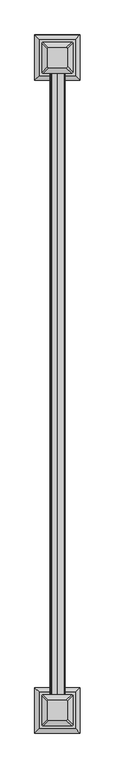
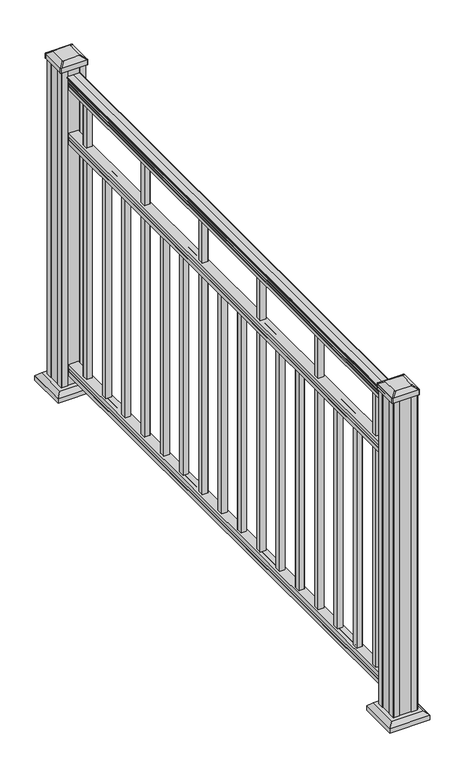
"""IFC4 building model written with IfcOpenShell, lengths in millimetres: railing geometry."""

import ifcopenshell
import ifcopenshell.guid

model = None  # the IFC model being written
_history = None  # IfcOwnerHistory: only IFC2X3 demands one
_inside = {}  # id of a spatial element -> (the spatial element, [elements in it])
_under = {}  # id of a project, library or spatial element -> (it, [spatial elements below it])
_declared = {}  # id of a project -> (the project, [libraries it declares])
_typed = {}  # id of a type object -> (the type object, [elements of that type])
_made_of = {}  # id of a material, layer set ... -> (it, [elements and type objects made of it])


def new_model(schema):
    """Start an empty IFC model of exactly this schema.

    Asked for "IFC4X3", IfcOpenShell would pick the latest addendum, in which some entities
    have other attributes; the version numbers below select the first issue.
    IFC2X3 requires an IfcOwnerHistory on every rooted entity: one is made here for all.
    """
    global model, _history
    if schema == "IFC4X3":
        model = ifcopenshell.file(schema_version=(4, 3, 0, 0))
    else:
        model = ifcopenshell.file(schema=schema)
    _inside.clear()
    _under.clear()
    _declared.clear()
    _typed.clear()
    _made_of.clear()
    _history = None
    if model.schema == "IFC2X3":
        org = make("IfcOrganization", Name="unknown")
        user = make(
            "IfcPersonAndOrganization",
            ThePerson=make("IfcPerson", FamilyName="unknown"),
            TheOrganization=org,
        )
        app = make(
            "IfcApplication",
            ApplicationDeveloper=org,
            Version="unknown",
            ApplicationFullName="unknown",
            ApplicationIdentifier="unknown",
        )
        _history = make(
            "IfcOwnerHistory",
            OwningUser=user,
            OwningApplication=app,
            ChangeAction="ADDED",
            CreationDate=0,
        )
    return model


def make(cls, **values):
    """One entity of the class cls with the attributes given. An attribute that is None is left unset."""
    return model.create_entity(
        cls, **{name: value for name, value in values.items() if value is not None}
    )


def rooted(cls, **values):
    """An entity with a GlobalId (a new one), such as an element, a storey or a relation."""
    return make(cls, GlobalId=ifcopenshell.guid.new(), OwnerHistory=_history, **values)


def si_unit(unit_type, name, prefix=None):
    """IfcSIUnit, for example si_unit("LENGTHUNIT", "METRE", prefix="MILLI")."""
    return make("IfcSIUnit", UnitType=unit_type, Prefix=prefix, Name=name)


def assignment(units):
    """IfcUnitAssignment: the units of a project."""
    return None if units is None else make("IfcUnitAssignment", Units=units)


def point(xyz):
    """IfcCartesianPoint."""
    return None if xyz is None else make("IfcCartesianPoint", Coordinates=xyz)


def direction(xyz):
    """IfcDirection."""
    return None if xyz is None else make("IfcDirection", DirectionRatios=xyz)


def frame(location, z_axis=None, x_axis=None):
    """IfcAxis2Placement3D, a coordinate frame: its origin and axes. An axis left out is left unset."""
    return make(
        "IfcAxis2Placement3D",
        Location=point(location),
        Axis=direction(z_axis),
        RefDirection=direction(x_axis),
    )


def frame_2d(location, x_axis=None):
    """IfcAxis2Placement2D, a coordinate frame in the plane: its origin and x axis."""
    return make(
        "IfcAxis2Placement2D", Location=point(location), RefDirection=direction(x_axis)
    )


def origin():
    """The frame at (0, 0, 0) with its axes left unset."""
    return frame((0.0, 0.0, 0.0))


def origin_with_axes():
    """The frame at (0, 0, 0) with the z axis (0, 0, 1) and the x axis (1, 0, 0) written out."""
    return frame((0.0, 0.0, 0.0), z_axis=(0.0, 0.0, 1.0), x_axis=(1.0, 0.0, 0.0))


def place(relative_to, where):
    """IfcLocalPlacement: puts the frame where relative to a parent placement (None: the world)."""
    return make(
        "IfcLocalPlacement", PlacementRelTo=relative_to, RelativePlacement=where
    )


def context(
    kind, dimensions, precision=None, world=None, true_north=None, identifier=None
):
    """IfcGeometricRepresentationContext, for example the 3D "Model" context."""
    return make(
        "IfcGeometricRepresentationContext",
        ContextIdentifier=identifier,
        ContextType=kind,
        CoordinateSpaceDimension=dimensions,
        Precision=precision,
        WorldCoordinateSystem=world,
        TrueNorth=true_north,
    )


def project(units=None, contexts=None):
    """IfcProject with its units and contexts."""
    return rooted(
        "IfcProject",
        Name="project",
        RepresentationContexts=contexts,
        UnitsInContext=assignment(units),
    )


def spatial(cls, under=None, at=None, **own):
    """A site, building, storey or space (cls), placed at a placement, below another one or the project."""
    s = rooted(cls, ObjectPlacement=at, **own)
    if under is not None:
        _under.setdefault(under.id(), (under, []))[1].append(s)
    return s


def polyline(points):
    """IfcPolyline through the points."""
    return make("IfcPolyline", Points=[point(p) for p in points])


def circle_curve(where, radius):
    """IfcCircle in the frame where."""
    return make("IfcCircle", Position=where, Radius=radius)


def trimmed(basis, trim1, trim2, sense, master):
    """IfcTrimmedCurve: the piece of a basis curve between two trims."""
    return make(
        "IfcTrimmedCurve",
        BasisCurve=basis,
        Trim1=trim1,
        Trim2=trim2,
        SenseAgreement=sense,
        MasterRepresentation=master,
    )


def segment(curve, same_sense, transition):
    """IfcCompositeCurveSegment."""
    return make(
        "IfcCompositeCurveSegment",
        Transition=transition,
        SameSense=same_sense,
        ParentCurve=curve,
    )


def composite_curve(segments, self_intersect=None):
    """IfcCompositeCurve: segments joined end to end."""
    return make("IfcCompositeCurve", Segments=segments, SelfIntersect=self_intersect)


def outline(outer, holes=None, kind="AREA"):
    """IfcArbitraryClosedProfileDef: a profile drawn as a closed curve; with holes, ...WithVoids."""
    if holes is None:
        return make("IfcArbitraryClosedProfileDef", ProfileType=kind, OuterCurve=outer)
    return make(
        "IfcArbitraryProfileDefWithVoids",
        ProfileType=kind,
        OuterCurve=outer,
        InnerCurves=holes,
    )


def extrude(swept, where, along, depth):
    """IfcExtrudedAreaSolid: the profile swept, set in the frame where, extruded along a direction by depth."""
    return make(
        "IfcExtrudedAreaSolid",
        SweptArea=swept,
        Position=where,
        ExtrudedDirection=direction(along),
        Depth=depth,
    )


def faces_of(points, faces, orient=None, outer=None):
    """IfcFace entities. A face is a list of loops; a loop is a list of indices into points, from 0.

    orient and outer hold one flag for each loop. By default every Orientation is true, the
    first loop of a face is its IfcFaceOuterBound and the others are IfcFaceBound.
    """
    made = []
    for i, loops in enumerate(faces):
        bounds = []
        for j, loop in enumerate(loops):
            is_outer = j == 0 if outer is None else outer[i][j]
            bounds.append(
                make(
                    "IfcFaceOuterBound" if is_outer else "IfcFaceBound",
                    Bound=make("IfcPolyLoop", Polygon=[points[k] for k in loop]),
                    Orientation=True if orient is None else orient[i][j],
                )
            )
        made.append(make("IfcFace", Bounds=bounds))
    return made


def faceted_brep(points, faces, orient=None, outer=None, voids=None):
    """IfcFacetedBrep: a solid bounded by flat faces; with voids (closed shells), ...WithVoids."""
    shared = [point(p) for p in points]
    hull = make("IfcClosedShell", CfsFaces=faces_of(shared, faces, orient, outer))
    if voids is None:
        return make("IfcFacetedBrep", Outer=hull)
    return make(
        "IfcFacetedBrepWithVoids",
        Outer=hull,
        Voids=[
            make(cls, CfsFaces=faces_of(shared, fs, o, b)) for cls, fs, o, b in voids
        ],
    )


def shape(context_of_items, identifier, shape_type, items):
    """IfcShapeRepresentation: the items that make up one representation, for example the "Body"."""
    return make(
        "IfcShapeRepresentation",
        ContextOfItems=context_of_items,
        RepresentationIdentifier=identifier,
        RepresentationType=shape_type,
        Items=items,
    )


def source(mapping_origin, context_of_items, identifier, shape_type, items):
    """IfcRepresentationMap: a shape defined once, which mapped items show again and again."""
    return make(
        "IfcRepresentationMap",
        MappingOrigin=mapping_origin,
        MappedRepresentation=shape(context_of_items, identifier, shape_type, items),
    )


def transform(
    local_origin,
    x_axis=None,
    y_axis=None,
    z_axis=None,
    scale=None,
    scale2=None,
    scale3=None,
    uniform=True,
):
    """IfcCartesianTransformationOperator3D, or its non-uniform kind. x_axis, y_axis, z_axis: its Axis1, 2, 3."""
    if uniform:
        return make(
            "IfcCartesianTransformationOperator3D",
            Axis1=direction(x_axis),
            Axis2=direction(y_axis),
            LocalOrigin=point(local_origin),
            Scale=scale,
            Axis3=direction(z_axis),
        )
    return make(
        "IfcCartesianTransformationOperator3DnonUniform",
        Axis1=direction(x_axis),
        Axis2=direction(y_axis),
        LocalOrigin=point(local_origin),
        Scale=scale,
        Axis3=direction(z_axis),
        Scale2=scale2,
        Scale3=scale3,
    )


def mapped(mapping_source, mapping_target):
    """IfcMappedItem: shows the shape of a source again, moved by a transform."""
    return make(
        "IfcMappedItem", MappingSource=mapping_source, MappingTarget=mapping_target
    )


def made_of(thing, what):
    """Note that an element or type object is made of a material, layer set ...; save() writes the relation."""
    if what is not None:
        _made_of.setdefault(what.id(), (what, []))[1].append(thing)
    return thing


def element(
    cls,
    number,
    at=None,
    inside=None,
    cuts=None,
    type_object=None,
    material=None,
    context=None,
    identifier="Body",
    shape_type=None,
    held_by="IfcProductDefinitionShape",
    body=None,
    shapes=None,
    **own,
):
    """One element of the class cls, such as IfcWall. Its Tag is "e" and its number.

    at: its placement. inside: the storey or other place that contains it. cuts: it is an
    opening in that element (IfcRelVoidsElement). A single representation is given by context,
    identifier, shape_type and body (its items); several are given by shapes. held_by: the class
    of the entity that holds the representations. save() writes the other relations.
    """
    e = rooted(cls, Tag="e%d" % number, ObjectPlacement=at, **own)
    if body is not None:
        shapes = [shape(context, identifier, shape_type, body)]
    if shapes is not None:
        e.Representation = make(held_by, Representations=shapes)
    if inside is not None:
        _inside.setdefault(inside.id(), (inside, []))[1].append(e)
    if cuts is not None:
        rooted(
            "IfcRelVoidsElement", RelatingBuildingElement=cuts, RelatedOpeningElement=e
        )
    if type_object is not None:
        _typed.setdefault(type_object.id(), (type_object, []))[1].append(e)
    return made_of(e, material)


def aggregate(whole, parts):
    """IfcRelAggregates: a whole, such as a stair, and the parts it consists of."""
    return rooted("IfcRelAggregates", RelatingObject=whole, RelatedObjects=parts)


def save(model, path):
    """Write the relations noted so far, then the file.

    IfcRelAggregates (storeys below a building ...), IfcRelContainedInSpatialStructure (elements
    in a storey), IfcRelDefinesByType, IfcRelAssociatesMaterial and IfcRelDeclares: one each for
    every whole, place, type object, material and project.
    """
    for whole, parts in _under.values():
        aggregate(whole, parts)
    for where, things in _inside.values():
        rooted(
            "IfcRelContainedInSpatialStructure",
            RelatedElements=things,
            RelatingStructure=where,
        )
    for kind, things in _typed.values():
        rooted("IfcRelDefinesByType", RelatedObjects=things, RelatingType=kind)
    for what, things in _made_of.values():
        rooted("IfcRelAssociatesMaterial", RelatedObjects=things, RelatingMaterial=what)
    for by, libraries in _declared.values():
        rooted("IfcRelDeclares", RelatingContext=by, RelatedDefinitions=libraries)
    model.write(path)


def plane_surface(at):
    """IfcPlane: the flat surface through the origin of the frame at, square to its z axis."""
    return make("IfcPlane", Position=at)


def extruded_surface(curve, direction_of_extrusion, depth):
    """IfcSurfaceOfLinearExtrusion: the curve pushed along a direction by depth."""
    return make(
        "IfcSurfaceOfLinearExtrusion",
        SweptCurve=make("IfcArbitraryOpenProfileDef", ProfileType="CURVE", Curve=curve),
        ExtrudedDirection=direction(direction_of_extrusion),
        Depth=depth,
    )


def advanced_brep(points, edges, surfaces, faces):
    """IfcAdvancedBrep: a solid bounded by faces that lie on surfaces and meet in shared edges.

    An edge is (start, end): straight between two places in points (the first is 0);
    or (start, end, curve); or (start, end, curve, False) where it runs against its curve.
    A face is (place in surfaces, loops), or (place, loops, False) where it looks against
    its surface's normal. A loop lists edges by number (the first is 1), with a minus sign
    where the edge is run from its end to its start. The first loop is the outer one.
    """
    corners = [point(p) for p in points]
    vertices = [make("IfcVertexPoint", VertexGeometry=c) for c in corners]
    made = []
    for start, end, *more in edges:
        made.append(
            make(
                "IfcEdgeCurve",
                EdgeStart=vertices[start],
                EdgeEnd=vertices[end],
                EdgeGeometry=more[0] if more else make("IfcPolyline", Points=[corners[start], corners[end]]),
                SameSense=more[1] if len(more) > 1 else True,
            )
        )
    hull = []
    for where, loops, *sense in faces:
        bounds = []
        for j, loop in enumerate(loops):
            ring = [make("IfcOrientedEdge", EdgeElement=made[abs(k) - 1], Orientation=k > 0) for k in loop]
            bounds.append(
                make(
                    "IfcFaceOuterBound" if j == 0 else "IfcFaceBound",
                    Bound=make("IfcEdgeLoop", EdgeList=ring),
                    Orientation=True,
                )
            )
        hull.append(make("IfcAdvancedFace", Bounds=bounds, FaceSurface=surfaces[where], SameSense=sense[0] if sense else True))
    return make("IfcAdvancedBrep", Outer=make("IfcClosedShell", CfsFaces=hull))


def railing_6b41dfd5(model_context):
    return source(origin(), model_context, "Body", "SolidModel", [
        extrude(outline(composite_curve([segment(trimmed(circle_curve(frame_2d((1090.8043297, 1987.4195636)), 1.2869144), [point((1090.8043297, 1986.1326492))], [point((1090.8043297, 1988.7064779))], False, "CARTESIAN"), True, "CONTINUOUS"), segment(polyline([(1090.8043297, 1988.7064779), (1080.147013, 1988.7064779), (1079.131013, 1987.6904779), (1066.8, 1987.6904779), (1066.8, 2019.4404779), (1079.2888283, 2019.4404779), (1080.3048283, 2018.4244779), (1090.8043297, 2018.4244779)]), True, "CONTINUOUS"), segment(trimmed(circle_curve(frame_2d((1090.8043297, 2019.7113923)), 1.2869144), [point((1090.8043297, 2018.4244779))], [point((1090.8043297, 2020.9983067))], False, "CARTESIAN"), True, "CONTINUOUS"), segment(polyline([(1090.8043297, 2020.9983067), (1092.692412, 2020.9983067)]), True, "CONTINUOUS"), segment(trimmed(circle_curve(frame_2d((1098.4506383, 2014.6835534)), 8.545951), [point((1092.692412, 2020.9983067))], [point((1094.2546695, 2022.128493))], False, "CARTESIAN"), True, "CONTINUOUS"), segment(trimmed(circle_curve(frame_2d((1097.8636577, 2015.1206164)), 7.882584), [point((1094.2546695, 2022.128493))], [point((1101.4726458, 2022.128493))], False, "CARTESIAN"), True, "CONTINUOUS"), segment(trimmed(circle_curve(frame_2d((1103.7112527, 2025.6339405)), 4.1592695), [point((1101.4726458, 2022.128493))], [point((1103.9060812, 2021.4792366))], True, "CARTESIAN"), True, "CONTINUOUS"), segment(trimmed(circle_curve(frame_2d((1103.6508864, 2026.921247)), 5.4479907), [point((1103.9060812, 2021.4792366))], [point((1108.2362083, 2023.9792366))], True, "CARTESIAN"), True, "CONTINUOUS"), segment(trimmed(circle_curve(frame_2d((1108.233395, 2025.6880886)), 1.7088543), [point((1108.2362083, 2023.9792366))], [point((1109.9157972, 2025.388579))], True, "CARTESIAN"), True, "CONTINUOUS"), segment(trimmed(circle_curve(frame_2d((1111.0205318, 2024.0711885)), 1.7192895), [point((1109.9157972, 2025.388579))], [point((1111.0205318, 2025.790478))], False, "CARTESIAN"), True, "CONTINUOUS"), segment(polyline([(1111.0205318, 2025.790478), (1112.3608158, 2025.7904779)]), True, "CONTINUOUS"), segment(trimmed(circle_curve(frame_2d((1112.3608158, 2024.2370307)), 1.5534472), [point((1112.3608158, 2025.7904779))], [point((1113.914263, 2024.2370307))], False, "CARTESIAN"), True, "CONTINUOUS"), segment(polyline([(1113.914263, 2024.2370307), (1113.914263, 2003.5654779), (1113.914263, 1982.8939252)]), True, "CONTINUOUS"), segment(trimmed(circle_curve(frame_2d((1112.3608158, 1982.8939252)), 1.5534472), [point((1113.914263, 1982.8939252))], [point((1112.3608158, 1981.3404779))], False, "CARTESIAN"), True, "CONTINUOUS"), segment(polyline([(1112.3608158, 1981.3404779), (1111.0205318, 1981.3404779)]), True, "CONTINUOUS"), segment(trimmed(circle_curve(frame_2d((1111.0205318, 1983.0597674)), 1.7192895), [point((1111.0205318, 1981.3404779))], [point((1109.9157972, 1981.7423769))], False, "CARTESIAN"), True, "CONTINUOUS"), segment(trimmed(circle_curve(frame_2d((1108.233395, 1981.4428673)), 1.7088543), [point((1109.9157972, 1981.7423769))], [point((1108.2362083, 1983.1517193))], True, "CARTESIAN"), True, "CONTINUOUS"), segment(trimmed(circle_curve(frame_2d((1103.6508864, 1980.2097088)), 5.4479907), [point((1108.2362083, 1983.1517193))], [point((1103.9060812, 1985.6517193))], True, "CARTESIAN"), True, "CONTINUOUS"), segment(trimmed(circle_curve(frame_2d((1103.7112527, 1981.4970154)), 4.1592695), [point((1103.9060812, 1985.6517193))], [point((1101.4726458, 1985.0024629))], True, "CARTESIAN"), True, "CONTINUOUS"), segment(trimmed(circle_curve(frame_2d((1097.8636577, 1992.0103395)), 7.882584), [point((1101.4726458, 1985.0024629))], [point((1094.2546695, 1985.0024629))], False, "CARTESIAN"), True, "CONTINUOUS"), segment(trimmed(circle_curve(frame_2d((1098.4506383, 1992.4474025)), 8.545951), [point((1094.2546695, 1985.0024629))], [point((1092.692412, 1986.1326492))], False, "CARTESIAN"), True, "CONTINUOUS"), segment(polyline([(1092.692412, 1986.1326492), (1090.8043297, 1986.1326492)]), True, "CONTINUOUS")], self_intersect=False)), frame((0.0, -110050.5733589, 0.0), z_axis=(0.0, 1.0, 0.0), x_axis=(0.0, 0.0, 1.0)), (0.0, 0.0, 1.0), 1828.8),
        extrude(outline(polyline([(888.8541976, 1987.652991), (876.3, 1987.652991), (876.3, 2019.402991), (888.8375508, 2019.402991), (890.1858283, 2018.386991), (900.4975248, 2018.386991), (901.8458024, 2019.402991), (914.3958781, 2019.402991), (914.3958781, 1987.652991), (901.8624492, 1987.652991), (900.5141717, 1988.668991), (890.1546183, 1988.668991), (888.8541976, 1987.652991)])), frame((0.0, -110050.5733589, 0.0), z_axis=(0.0, 1.0, 0.0), x_axis=(0.0, 0.0, 1.0)), (0.0, 0.0, 1.0), 1828.8),
        extrude(outline(polyline([(76.0541976, 1987.652991), (63.5, 1987.652991), (63.5, 2019.402991), (76.0375508, 2019.402991), (77.3858283, 2018.386991), (87.6975248, 2018.386991), (89.0458024, 2019.402991), (101.5958781, 2019.402991), (101.5958781, 1987.652991), (89.0624492, 1987.652991), (87.7141717, 1988.668991), (77.3546183, 1988.668991), (76.0541976, 1987.652991)])), frame((0.0, -110050.5733589, 0.0), z_axis=(0.0, 1.0, 0.0), x_axis=(0.0, 0.0, 1.0)), (0.0, 0.0, 1.0), 1828.8),
        extrude(outline(polyline([(1994.0404779, -108312.2608589), (1994.0404779, -108293.2108589), (2013.0904779, -108293.2108589), (2013.0904779, -108312.2608589), (1994.0404779, -108312.2608589)]), holes=[polyline([(1994.4373529, -108311.8639839), (2012.6936029, -108311.8639839), (2012.6936029, -108293.6077339), (1994.4373529, -108293.6077339), (1994.4373529, -108311.8639839)])]), frame((0.0, 0.0, 101.5958781), z_axis=(0.0, 0.0, 1.0), x_axis=(1.0, 0.0, 0.0)), (0.0, 0.0, 1.0), 965.2041219),
        extrude(outline(polyline([(1994.0404779, -108423.3858589), (1994.0404779, -108404.3358589), (2013.0904779, -108404.3358589), (2013.0904779, -108423.3858589), (1994.0404779, -108423.3858589)]), holes=[polyline([(1994.4373529, -108422.9889839), (2012.6936029, -108422.9889839), (2012.6936029, -108404.7327339), (1994.4373529, -108404.7327339), (1994.4373529, -108422.9889839)])]), frame((0.0, 0.0, 101.5958781), z_axis=(0.0, 0.0, 1.0), x_axis=(1.0, 0.0, 0.0)), (0.0, 0.0, 1.0), 774.7041219),
        extrude(outline(polyline([(1994.0404779, -108534.5108589), (1994.0404779, -108515.4608589), (2013.0904779, -108515.4608589), (2013.0904779, -108534.5108589), (1994.0404779, -108534.5108589)]), holes=[polyline([(1994.4373529, -108534.1139839), (2012.6936029, -108534.1139839), (2012.6936029, -108515.8577339), (1994.4373529, -108515.8577339), (1994.4373529, -108534.1139839)])]), frame((0.0, 0.0, 101.5958781), z_axis=(0.0, 0.0, 1.0), x_axis=(1.0, 0.0, 0.0)), (0.0, 0.0, 1.0), 774.7041219),
        extrude(outline(polyline([(1994.0404779, -108645.6358589), (1994.0404779, -108626.5858589), (2013.0904779, -108626.5858589), (2013.0904779, -108645.6358589), (1994.0404779, -108645.6358589)]), holes=[polyline([(1994.4373529, -108645.2389839), (2012.6936029, -108645.2389839), (2012.6936029, -108626.9827339), (1994.4373529, -108626.9827339), (1994.4373529, -108645.2389839)])]), frame((0.0, 0.0, 101.5958781), z_axis=(0.0, 0.0, 1.0), x_axis=(1.0, 0.0, 0.0)), (0.0, 0.0, 1.0), 965.2041219),
        extrude(outline(polyline([(1994.0404779, -108756.7608589), (1994.0404779, -108737.7108589), (2013.0904779, -108737.7108589), (2013.0904779, -108756.7608589), (1994.0404779, -108756.7608589)]), holes=[polyline([(1994.4373529, -108756.3639839), (2012.6936029, -108756.3639839), (2012.6936029, -108738.1077339), (1994.4373529, -108738.1077339), (1994.4373529, -108756.3639839)])]), frame((0.0, 0.0, 101.5958781), z_axis=(0.0, 0.0, 1.0), x_axis=(1.0, 0.0, 0.0)), (0.0, 0.0, 1.0), 774.7041219),
        extrude(outline(polyline([(1994.0404779, -108867.8858589), (1994.0404779, -108848.8358589), (2013.0904779, -108848.8358589), (2013.0904779, -108867.8858589), (1994.0404779, -108867.8858589)]), holes=[polyline([(1994.4373529, -108867.4889839), (2012.6936029, -108867.4889839), (2012.6936029, -108849.2327339), (1994.4373529, -108849.2327339), (1994.4373529, -108867.4889839)])]), frame((0.0, 0.0, 101.5958781), z_axis=(0.0, 0.0, 1.0), x_axis=(1.0, 0.0, 0.0)), (0.0, 0.0, 1.0), 774.7041219),
        extrude(outline(polyline([(1994.0404779, -108979.0108589), (1994.0404779, -108959.9608589), (2013.0904779, -108959.9608589), (2013.0904779, -108979.0108589), (1994.0404779, -108979.0108589)]), holes=[polyline([(1994.4373529, -108978.6139839), (2012.6936029, -108978.6139839), (2012.6936029, -108960.3577339), (1994.4373529, -108960.3577339), (1994.4373529, -108978.6139839)])]), frame((0.0, 0.0, 101.5958781), z_axis=(0.0, 0.0, 1.0), x_axis=(1.0, 0.0, 0.0)), (0.0, 0.0, 1.0), 965.2041219),
        extrude(outline(polyline([(1994.0404779, -109090.1358589), (1994.0404779, -109071.0858589), (2013.0904779, -109071.0858589), (2013.0904779, -109090.1358589), (1994.0404779, -109090.1358589)]), holes=[polyline([(1994.4373529, -109089.7389839), (2012.6936029, -109089.7389839), (2012.6936029, -109071.4827339), (1994.4373529, -109071.4827339), (1994.4373529, -109089.7389839)])]), frame((0.0, 0.0, 101.5958781), z_axis=(0.0, 0.0, 1.0), x_axis=(1.0, 0.0, 0.0)), (0.0, 0.0, 1.0), 774.7041219),
        extrude(outline(polyline([(1994.0404779, -109201.2608589), (1994.0404779, -109182.2108589), (2013.0904779, -109182.2108589), (2013.0904779, -109201.2608589), (1994.0404779, -109201.2608589)]), holes=[polyline([(1994.4373529, -109200.8639839), (2012.6936029, -109200.8639839), (2012.6936029, -109182.6077339), (1994.4373529, -109182.6077339), (1994.4373529, -109200.8639839)])]), frame((0.0, 0.0, 101.5958781), z_axis=(0.0, 0.0, 1.0), x_axis=(1.0, 0.0, 0.0)), (0.0, 0.0, 1.0), 774.7041219),
        extrude(outline(polyline([(1994.0404779, -109312.3858589), (1994.0404779, -109293.3358589), (2013.0904779, -109293.3358589), (2013.0904779, -109312.3858589), (1994.0404779, -109312.3858589)]), holes=[polyline([(1994.4373529, -109311.9889839), (2012.6936029, -109311.9889839), (2012.6936029, -109293.7327339), (1994.4373529, -109293.7327339), (1994.4373529, -109311.9889839)])]), frame((0.0, 0.0, 101.5958781), z_axis=(0.0, 0.0, 1.0), x_axis=(1.0, 0.0, 0.0)), (0.0, 0.0, 1.0), 965.2041219),
        extrude(outline(polyline([(1994.0404779, -109423.5108589), (1994.0404779, -109404.4608589), (2013.0904779, -109404.4608589), (2013.0904779, -109423.5108589), (1994.0404779, -109423.5108589)]), holes=[polyline([(1994.4373529, -109423.1139839), (2012.6936029, -109423.1139839), (2012.6936029, -109404.8577339), (1994.4373529, -109404.8577339), (1994.4373529, -109423.1139839)])]), frame((0.0, 0.0, 101.5958781), z_axis=(0.0, 0.0, 1.0), x_axis=(1.0, 0.0, 0.0)), (0.0, 0.0, 1.0), 774.7041219),
        extrude(outline(polyline([(1994.0404779, -109534.6358589), (1994.0404779, -109515.5858589), (2013.0904779, -109515.5858589), (2013.0904779, -109534.6358589), (1994.0404779, -109534.6358589)]), holes=[polyline([(1994.4373529, -109534.2389839), (2012.6936029, -109534.2389839), (2012.6936029, -109515.9827339), (1994.4373529, -109515.9827339), (1994.4373529, -109534.2389839)])]), frame((0.0, 0.0, 101.5958781), z_axis=(0.0, 0.0, 1.0), x_axis=(1.0, 0.0, 0.0)), (0.0, 0.0, 1.0), 774.7041219),
        extrude(outline(polyline([(1994.0404779, -109645.7608589), (1994.0404779, -109626.7108589), (2013.0904779, -109626.7108589), (2013.0904779, -109645.7608589), (1994.0404779, -109645.7608589)]), holes=[polyline([(1994.4373529, -109645.3639839), (2012.6936029, -109645.3639839), (2012.6936029, -109627.1077339), (1994.4373529, -109627.1077339), (1994.4373529, -109645.3639839)])]), frame((0.0, 0.0, 101.5958781), z_axis=(0.0, 0.0, 1.0), x_axis=(1.0, 0.0, 0.0)), (0.0, 0.0, 1.0), 965.2041219),
        extrude(outline(polyline([(1994.0404779, -109756.8858589), (1994.0404779, -109737.8358589), (2013.0904779, -109737.8358589), (2013.0904779, -109756.8858589), (1994.0404779, -109756.8858589)]), holes=[polyline([(1994.4373529, -109756.4889839), (2012.6936029, -109756.4889839), (2012.6936029, -109738.2327339), (1994.4373529, -109738.2327339), (1994.4373529, -109756.4889839)])]), frame((0.0, 0.0, 101.5958781), z_axis=(0.0, 0.0, 1.0), x_axis=(1.0, 0.0, 0.0)), (0.0, 0.0, 1.0), 774.7041219),
        extrude(outline(polyline([(1994.0404779, -109868.0108589), (1994.0404779, -109848.9608589), (2013.0904779, -109848.9608589), (2013.0904779, -109868.0108589), (1994.0404779, -109868.0108589)]), holes=[polyline([(1994.4373529, -109867.6139839), (2012.6936029, -109867.6139839), (2012.6936029, -109849.3577339), (1994.4373529, -109849.3577339), (1994.4373529, -109867.6139839)])]), frame((0.0, 0.0, 101.5958781), z_axis=(0.0, 0.0, 1.0), x_axis=(1.0, 0.0, 0.0)), (0.0, 0.0, 1.0), 774.7041219),
        extrude(outline(polyline([(1994.0404779, -109979.1358589), (1994.0404779, -109960.0858589), (2013.0904779, -109960.0858589), (2013.0904779, -109979.1358589), (1994.0404779, -109979.1358589)]), holes=[polyline([(1994.4373529, -109978.7389839), (2012.6936029, -109978.7389839), (2012.6936029, -109960.4827339), (1994.4373529, -109960.4827339), (1994.4373529, -109978.7389839)])]), frame((0.0, 0.0, 101.5958781), z_axis=(0.0, 0.0, 1.0), x_axis=(1.0, 0.0, 0.0)), (0.0, 0.0, 1.0), 965.2041219),
        faceted_brep([(1950.9795404, -108233.0842964, 28.575), (2056.1514154, -108233.0842964, 28.575), (2056.1514154, -108127.9124214, 28.575), (1950.9795404, -108127.9124214, 28.575), (1936.9400873, -108247.1237496, 15.24), (1936.9400873, -108113.8729683, 15.24), (2070.1908686, -108113.8729683, 15.24), (2070.1908686, -108247.1237496, 15.24)], [[[0, 1, 2, 3]], [[4, 5, 6, 7]], [[4, 7, 1, 0]], [[7, 6, 2, 1]], [[6, 5, 3, 2]], [[5, 4, 0, 3]]]),
        extrude(outline(polyline([(1936.9400873, -108247.1237496), (1936.9400873, -108113.8729683), (2070.1908686, -108113.8729683), (2070.1908686, -108247.1237496), (1936.9400873, -108247.1237496)])), origin_with_axes(), (0.0, 0.0, 1.0), 15.24),
        advanced_brep(
        [(2029.3623529, -108209.4702339, 1165.225), (2032.5373529, -108206.2952339, 1165.225), (2032.5373529, -108154.7014839, 1165.225), (2029.3623529, -108151.5264839, 1165.225), (1977.7686029, -108151.5264839, 1165.225), (1974.5936029, -108154.7014839, 1165.225), (1974.5936029, -108206.2952339, 1165.225), (1977.7686029, -108209.4702339, 1165.225), (2045.6342279, -108225.7421089, 1153.922), (1961.4967279, -108225.7421089, 1153.922), (1958.3217279, -108222.5671089, 1153.922), (1958.3217279, -108138.4296089, 1153.922), (1961.4967279, -108135.2546089, 1153.922), (2045.6342279, -108135.2546089, 1153.922), (2048.8092279, -108138.4296089, 1153.922), (2048.8092279, -108222.5671089, 1153.922)],
        [
            (0, 1, circle_curve(frame((2029.3623529, -108206.2952339, 1165.225), z_axis=(0.0, 0.0, 1.0), x_axis=(0.0, 1.0, 0.0)), 3.175)),
            (1, 2),
            (2, 3, circle_curve(frame((2029.3623529, -108154.7014839, 1165.225), z_axis=(0.0, 0.0, 1.0), x_axis=(0.0, 1.0, 0.0)), 3.175)),
            (3, 4),
            (4, 5, circle_curve(frame((1977.7686029, -108154.7014839, 1165.225), z_axis=(0.0, 0.0, 1.0), x_axis=(0.0, 1.0, 0.0)), 3.175)),
            (5, 6),
            (6, 7, circle_curve(frame((1977.7686029, -108206.2952339, 1165.225), z_axis=(0.0, 0.0, 1.0), x_axis=(0.0, 1.0, 0.0)), 3.175)),
            (7, 0),
            (8, 9),
            (9, 10, circle_curve(frame((1961.4967279, -108222.5671089, 1153.922), z_axis=(0.0, 0.0, -1.0), x_axis=(0.0, 1.0, 0.0)), 3.175)),
            (10, 11),
            (11, 12, circle_curve(frame((1961.4967279, -108138.4296089, 1153.922), z_axis=(0.0, 0.0, -1.0), x_axis=(0.0, 1.0, 0.0)), 3.175)),
            (12, 13),
            (13, 14, circle_curve(frame((2045.6342279, -108138.4296089, 1153.922), z_axis=(0.0, 0.0, -1.0), x_axis=(0.0, 1.0, 0.0)), 3.175)),
            (14, 15),
            (15, 8, circle_curve(frame((2045.6342279, -108222.5671089, 1153.922), z_axis=(0.0, 0.0, -1.0), x_axis=(0.0, 1.0, 0.0)), 3.175)),
            (15, 1),
            (0, 8),
            (14, 2),
            (13, 3),
            (12, 4),
            (11, 5),
            (10, 6),
            (9, 7),
        ],
        [
            plane_surface(frame((2003.5654779, -108180.4983589, 1165.225), z_axis=(0.0, 0.0, 1.0), x_axis=(1.0, 0.0, 0.0))),
            plane_surface(frame((2003.5654779, -108180.4983589, 1153.922), z_axis=(0.0, 0.0, -1.0), x_axis=(1.0, 0.0, 0.0))),
            extruded_surface(trimmed(circle_curve(frame((2045.6342279, -108222.5671089, 1153.922), z_axis=(0.0, 0.0, 1.0), x_axis=(0.0, 1.0, 0.0)), 3.175), [point((2045.6342279, -108225.7421089, 1153.922))], [point((2048.8092279, -108222.5671089, 1153.922))], True, "CARTESIAN"), (-16.271875000000136, 16.27187499999127, 11.302999999999884), 25.637972638860656),
            plane_surface(frame((2048.8092279, -108180.4983589, 1153.922), z_axis=(0.5705009161540777, 0.0, 0.8212969649690409), x_axis=(0.0, 1.0, 0.0))),
            extruded_surface(trimmed(circle_curve(frame((2045.6342279, -108138.4296089, 1153.922), z_axis=(0.0, 0.0, 1.0), x_axis=(0.0, 1.0, 0.0)), 3.175), [point((2048.8092279, -108138.4296089, 1153.922))], [point((2045.6342279, -108135.2546089, 1153.922))], True, "CARTESIAN"), (-16.271875000000136, -16.27187500000582, 11.302999999999884), 25.637972638869893),
            plane_surface(frame((2003.5654779, -108135.2546089, 1153.922), z_axis=(0.0, 0.5705009161540291, 0.8212969649690747), x_axis=(-1.0, 0.0, 0.0))),
            extruded_surface(trimmed(circle_curve(frame((1961.4967279, -108138.4296089, 1153.922), z_axis=(0.0, 0.0, 1.0), x_axis=(0.0, 1.0, 0.0)), 3.175), [point((1961.4967279, -108135.2546089, 1153.922))], [point((1958.3217279, -108138.4296089, 1153.922))], True, "CARTESIAN"), (16.27187499999991, -16.27187500000582, 11.302999999999884), 25.637972638869748),
            plane_surface(frame((1958.3217279, -108180.4983589, 1153.922), z_axis=(-0.5705009161540143, 0.0, 0.821296964969085), x_axis=(0.0, -1.0, 0.0))),
            extruded_surface(trimmed(circle_curve(frame((1961.4967279, -108222.5671089, 1153.922), z_axis=(0.0, 0.0, 1.0), x_axis=(0.0, 1.0, 0.0)), 3.175), [point((1958.3217279, -108222.5671089, 1153.922))], [point((1961.4967279, -108225.7421089, 1153.922))], True, "CARTESIAN"), (16.27187499999991, 16.27187499999127, 11.302999999999884), 25.63797263886051),
            plane_surface(frame((2003.5654779, -108225.7421089, 1153.922), z_axis=(0.0, -0.570500916154034, 0.8212969649690713), x_axis=(1.0, 0.0, 0.0))),
        ],
        [
            (0, [[1, 2, 3, 4, 5, 6, 7, 8]]),
            (1, [[9, 10, 11, 12, 13, 14, 15, 16]]),
            (2, [[-16, 17, -1, 18]]),
            (3, [[-15, 19, -2, -17]]),
            (4, [[-14, 20, -3, -19]]),
            (5, [[-13, 21, -4, -20]]),
            (6, [[-12, 22, -5, -21]]),
            (7, [[-11, 23, -6, -22]]),
            (8, [[-10, 24, -7, -23]]),
            (9, [[-9, -18, -8, -24]]),
        ],
    ),
        extrude(outline(composite_curve([segment(polyline([(2045.6342279, -108225.7421089), (1961.4967279, -108225.7421089)]), True, "CONTINUOUS"), segment(trimmed(circle_curve(frame_2d((1961.4967279, -108222.5671089)), 3.175), [point((1961.4967279, -108225.7421089))], [point((1958.3217279, -108222.5671089))], False, "CARTESIAN"), True, "CONTINUOUS"), segment(polyline([(1958.3217279, -108222.5671089), (1958.3217279, -108138.4296089)]), True, "CONTINUOUS"), segment(trimmed(circle_curve(frame_2d((1961.4967279, -108138.4296089)), 3.175), [point((1958.3217279, -108138.4296089))], [point((1961.4967279, -108135.2546089))], False, "CARTESIAN"), True, "CONTINUOUS"), segment(polyline([(1961.4967279, -108135.2546089), (2045.6342279, -108135.2546089)]), True, "CONTINUOUS"), segment(trimmed(circle_curve(frame_2d((2045.6342279, -108138.4296089)), 3.175), [point((2045.6342279, -108135.2546089))], [point((2048.8092279, -108138.4296089))], False, "CARTESIAN"), True, "CONTINUOUS"), segment(polyline([(2048.8092279, -108138.4296089), (2048.8092279, -108222.5671089)]), True, "CONTINUOUS"), segment(trimmed(circle_curve(frame_2d((2045.6342279, -108222.5671089)), 3.175), [point((2048.8092279, -108222.5671089))], [point((2045.6342279, -108225.7421089))], False, "CARTESIAN"), True, "CONTINUOUS")], self_intersect=False)), frame((0.0, 0.0, 1136.65), z_axis=(0.0, 0.0, 1.0), x_axis=(1.0, 0.0, 0.0)), (0.0, 0.0, 1.0), 17.272),
        extrude(outline(polyline([(2043.2529779, -108221.7733589), (2023.6314779, -108221.7733589), (2022.8694779, -108220.1858589), (1984.2614779, -108220.1858589), (1983.4994779, -108221.7733589), (1963.8779779, -108221.7733589), (1962.2904779, -108220.1858589), (1962.2904779, -108200.5643589), (1963.8779779, -108199.8023589), (1963.8779779, -108161.1943589), (1962.2904779, -108160.4323589), (1962.2904779, -108140.8108589), (1963.8779779, -108139.2233589), (1983.4994779, -108139.2233589), (1984.2614779, -108140.8108589), (2022.8694779, -108140.8108589), (2023.6314779, -108139.2233589), (2043.2529779, -108139.2233589), (2044.8404779, -108140.8108589), (2044.8404779, -108160.4323589), (2043.2529779, -108161.1943589), (2043.2529779, -108199.8023589), (2044.8404779, -108200.5643589), (2044.8404779, -108220.1858589), (2043.2529779, -108221.7733589)])), origin_with_axes(), (0.0, 0.0, 1.0), 1136.65),
        faceted_brep([(1950.9795404, -110144.4342964, 28.575), (2056.1514154, -110144.4342964, 28.575), (2056.1514154, -110039.2624214, 28.575), (1950.9795404, -110039.2624214, 28.575), (1936.9400873, -110158.4737496, 15.24), (1936.9400873, -110025.2229683, 15.24), (2070.1908686, -110025.2229683, 15.24), (2070.1908686, -110158.4737496, 15.24)], [[[0, 1, 2, 3]], [[4, 5, 6, 7]], [[4, 7, 1, 0]], [[7, 6, 2, 1]], [[6, 5, 3, 2]], [[5, 4, 0, 3]]]),
        extrude(outline(polyline([(1936.9400873, -110158.4737496), (1936.9400873, -110025.2229683), (2070.1908686, -110025.2229683), (2070.1908686, -110158.4737496), (1936.9400873, -110158.4737496)])), origin_with_axes(), (0.0, 0.0, 1.0), 15.24),
        advanced_brep(
        [(2029.3623529, -110120.8202339, 1165.225), (2032.5373529, -110117.6452339, 1165.225), (2032.5373529, -110066.0514839, 1165.225), (2029.3623529, -110062.8764839, 1165.225), (1977.7686029, -110062.8764839, 1165.225), (1974.5936029, -110066.0514839, 1165.225), (1974.5936029, -110117.6452339, 1165.225), (1977.7686029, -110120.8202339, 1165.225), (2045.6342279, -110137.0921089, 1153.922), (1961.4967279, -110137.0921089, 1153.922), (1958.3217279, -110133.9171089, 1153.922), (1958.3217279, -110049.7796089, 1153.922), (1961.4967279, -110046.6046089, 1153.922), (2045.6342279, -110046.6046089, 1153.922), (2048.8092279, -110049.7796089, 1153.922), (2048.8092279, -110133.9171089, 1153.922)],
        [
            (0, 1, circle_curve(frame((2029.3623529, -110117.6452339, 1165.225), z_axis=(0.0, 0.0, 1.0), x_axis=(0.0, 1.0, 0.0)), 3.175)),
            (1, 2),
            (2, 3, circle_curve(frame((2029.3623529, -110066.0514839, 1165.225), z_axis=(0.0, 0.0, 1.0), x_axis=(0.0, 1.0, 0.0)), 3.175)),
            (3, 4),
            (4, 5, circle_curve(frame((1977.7686029, -110066.0514839, 1165.225), z_axis=(0.0, 0.0, 1.0), x_axis=(0.0, 1.0, 0.0)), 3.175)),
            (5, 6),
            (6, 7, circle_curve(frame((1977.7686029, -110117.6452339, 1165.225), z_axis=(0.0, 0.0, 1.0), x_axis=(0.0, 1.0, 0.0)), 3.175)),
            (7, 0),
            (8, 9),
            (9, 10, circle_curve(frame((1961.4967279, -110133.9171089, 1153.922), z_axis=(0.0, 0.0, -1.0), x_axis=(0.0, 1.0, 0.0)), 3.175)),
            (10, 11),
            (11, 12, circle_curve(frame((1961.4967279, -110049.7796089, 1153.922), z_axis=(0.0, 0.0, -1.0), x_axis=(0.0, 1.0, 0.0)), 3.175)),
            (12, 13),
            (13, 14, circle_curve(frame((2045.6342279, -110049.7796089, 1153.922), z_axis=(0.0, 0.0, -1.0), x_axis=(0.0, 1.0, 0.0)), 3.175)),
            (14, 15),
            (15, 8, circle_curve(frame((2045.6342279, -110133.9171089, 1153.922), z_axis=(0.0, 0.0, -1.0), x_axis=(0.0, 1.0, 0.0)), 3.175)),
            (15, 1),
            (0, 8),
            (14, 2),
            (13, 3),
            (12, 4),
            (11, 5),
            (10, 6),
            (9, 7),
        ],
        [
            plane_surface(frame((2003.5654779, -110091.8483589, 1165.225), z_axis=(0.0, 0.0, 1.0), x_axis=(1.0, 0.0, 0.0))),
            plane_surface(frame((2003.5654779, -110091.8483589, 1153.922), z_axis=(0.0, 0.0, -1.0), x_axis=(1.0, 0.0, 0.0))),
            extruded_surface(trimmed(circle_curve(frame((2045.6342279, -110133.9171089, 1153.922), z_axis=(0.0, 0.0, 1.0), x_axis=(0.0, 1.0, 0.0)), 3.175), [point((2045.6342279, -110137.0921089, 1153.922))], [point((2048.8092279, -110133.9171089, 1153.922))], True, "CARTESIAN"), (-16.271875000000136, 16.27187500000582, 11.302999999999884), 25.637972638869893),
            plane_surface(frame((2048.8092279, -110091.8483589, 1153.922), z_axis=(0.5705009161540777, 0.0, 0.8212969649690409), x_axis=(0.0, 1.0, 0.0))),
            extruded_surface(trimmed(circle_curve(frame((2045.6342279, -110049.7796089, 1153.922), z_axis=(0.0, 0.0, 1.0), x_axis=(0.0, 1.0, 0.0)), 3.175), [point((2048.8092279, -110049.7796089, 1153.922))], [point((2045.6342279, -110046.6046089, 1153.922))], True, "CARTESIAN"), (-16.271875000000136, -16.27187499999127, 11.302999999999884), 25.637972638860656),
            plane_surface(frame((2003.5654779, -110046.6046089, 1153.922), z_axis=(0.0, 0.5705009161540291, 0.8212969649690747), x_axis=(-1.0, 0.0, 0.0))),
            extruded_surface(trimmed(circle_curve(frame((1961.4967279, -110049.7796089, 1153.922), z_axis=(0.0, 0.0, 1.0), x_axis=(0.0, 1.0, 0.0)), 3.175), [point((1961.4967279, -110046.6046089, 1153.922))], [point((1958.3217279, -110049.7796089, 1153.922))], True, "CARTESIAN"), (16.27187499999991, -16.27187499999127, 11.302999999999884), 25.63797263886051),
            plane_surface(frame((1958.3217279, -110091.8483589, 1153.922), z_axis=(-0.5705009161540143, 0.0, 0.821296964969085), x_axis=(0.0, -1.0, 0.0))),
            extruded_surface(trimmed(circle_curve(frame((1961.4967279, -110133.9171089, 1153.922), z_axis=(0.0, 0.0, 1.0), x_axis=(0.0, 1.0, 0.0)), 3.175), [point((1958.3217279, -110133.9171089, 1153.922))], [point((1961.4967279, -110137.0921089, 1153.922))], True, "CARTESIAN"), (16.27187499999991, 16.27187500000582, 11.302999999999884), 25.637972638869748),
            plane_surface(frame((2003.5654779, -110137.0921089, 1153.922), z_axis=(0.0, -0.570500916154034, 0.8212969649690713), x_axis=(1.0, 0.0, 0.0))),
        ],
        [
            (0, [[1, 2, 3, 4, 5, 6, 7, 8]]),
            (1, [[9, 10, 11, 12, 13, 14, 15, 16]]),
            (2, [[-16, 17, -1, 18]]),
            (3, [[-15, 19, -2, -17]]),
            (4, [[-14, 20, -3, -19]]),
            (5, [[-13, 21, -4, -20]]),
            (6, [[-12, 22, -5, -21]]),
            (7, [[-11, 23, -6, -22]]),
            (8, [[-10, 24, -7, -23]]),
            (9, [[-9, -18, -8, -24]]),
        ],
    ),
        extrude(outline(composite_curve([segment(polyline([(2045.6342279, -110137.0921089), (1961.4967279, -110137.0921089)]), True, "CONTINUOUS"), segment(trimmed(circle_curve(frame_2d((1961.4967279, -110133.9171089)), 3.175), [point((1961.4967279, -110137.0921089))], [point((1958.3217279, -110133.9171089))], False, "CARTESIAN"), True, "CONTINUOUS"), segment(polyline([(1958.3217279, -110133.9171089), (1958.3217279, -110049.7796089)]), True, "CONTINUOUS"), segment(trimmed(circle_curve(frame_2d((1961.4967279, -110049.7796089)), 3.175), [point((1958.3217279, -110049.7796089))], [point((1961.4967279, -110046.6046089))], False, "CARTESIAN"), True, "CONTINUOUS"), segment(polyline([(1961.4967279, -110046.6046089), (2045.6342279, -110046.6046089)]), True, "CONTINUOUS"), segment(trimmed(circle_curve(frame_2d((2045.6342279, -110049.7796089)), 3.175), [point((2045.6342279, -110046.6046089))], [point((2048.8092279, -110049.7796089))], False, "CARTESIAN"), True, "CONTINUOUS"), segment(polyline([(2048.8092279, -110049.7796089), (2048.8092279, -110133.9171089)]), True, "CONTINUOUS"), segment(trimmed(circle_curve(frame_2d((2045.6342279, -110133.9171089)), 3.175), [point((2048.8092279, -110133.9171089))], [point((2045.6342279, -110137.0921089))], False, "CARTESIAN"), True, "CONTINUOUS")], self_intersect=False)), frame((0.0, 0.0, 1136.65), z_axis=(0.0, 0.0, 1.0), x_axis=(1.0, 0.0, 0.0)), (0.0, 0.0, 1.0), 17.272),
        extrude(outline(polyline([(2043.2529779, -110133.1233589), (2023.6314779, -110133.1233589), (2022.8694779, -110131.5358589), (1984.2614779, -110131.5358589), (1983.4994779, -110133.1233589), (1963.8779779, -110133.1233589), (1962.2904779, -110131.5358589), (1962.2904779, -110111.9143589), (1963.8779779, -110111.1523589), (1963.8779779, -110072.5443589), (1962.2904779, -110071.7823589), (1962.2904779, -110052.1608589), (1963.8779779, -110050.5733589), (1983.4994779, -110050.5733589), (1984.2614779, -110052.1608589), (2022.8694779, -110052.1608589), (2023.6314779, -110050.5733589), (2043.2529779, -110050.5733589), (2044.8404779, -110052.1608589), (2044.8404779, -110071.7823589), (2043.2529779, -110072.5443589), (2043.2529779, -110111.1523589), (2044.8404779, -110111.9143589), (2044.8404779, -110131.5358589), (2043.2529779, -110133.1233589)])), origin_with_axes(), (0.0, 0.0, 1.0), 1136.65),
    ])


if __name__ == "__main__":
    model = new_model("IFC4")
    model_context = context("Model", 3, world=origin())
    ifc_project = project(units=[si_unit("LENGTHUNIT", "METRE", prefix="MILLI")], contexts=[model_context])
    site = spatial("IfcSite", under=ifc_project)
    building = spatial("IfcBuilding", under=site)
    placement = place(None, origin())
    railing_shape = railing_6b41dfd5(model_context)
    element("IfcRailing", 1, at=placement, inside=building, context=model_context, shape_type="MappedRepresentation", body=[
        mapped(railing_shape, transform((0.0, 0.0, 0.0), x_axis=(1.0, 0.0, 0.0), y_axis=(0.0, 1.0, 0.0), z_axis=(0.0, 0.0, 1.0))),
    ])
    save(model, "model.ifc")
